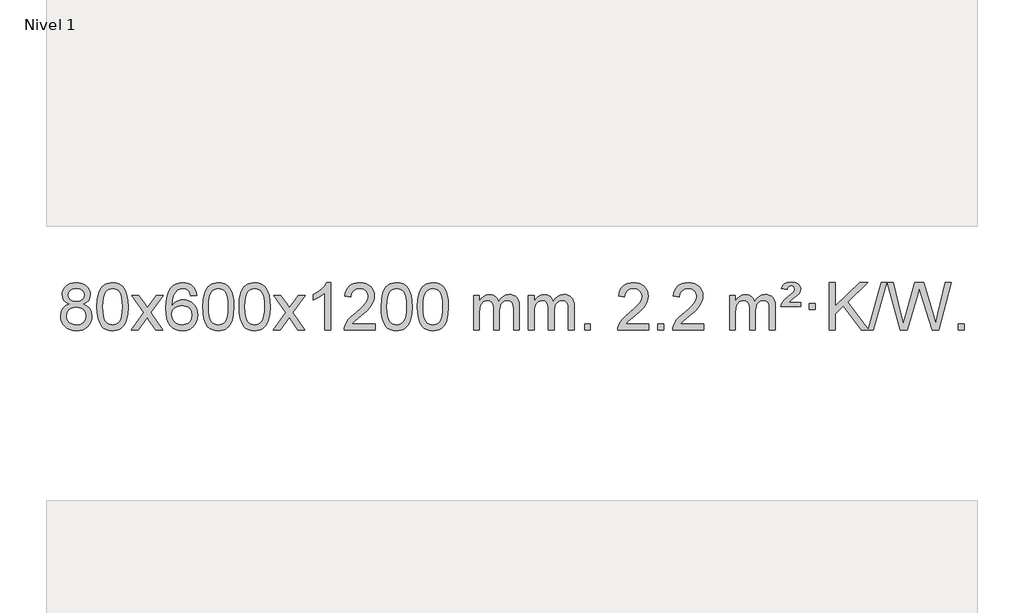
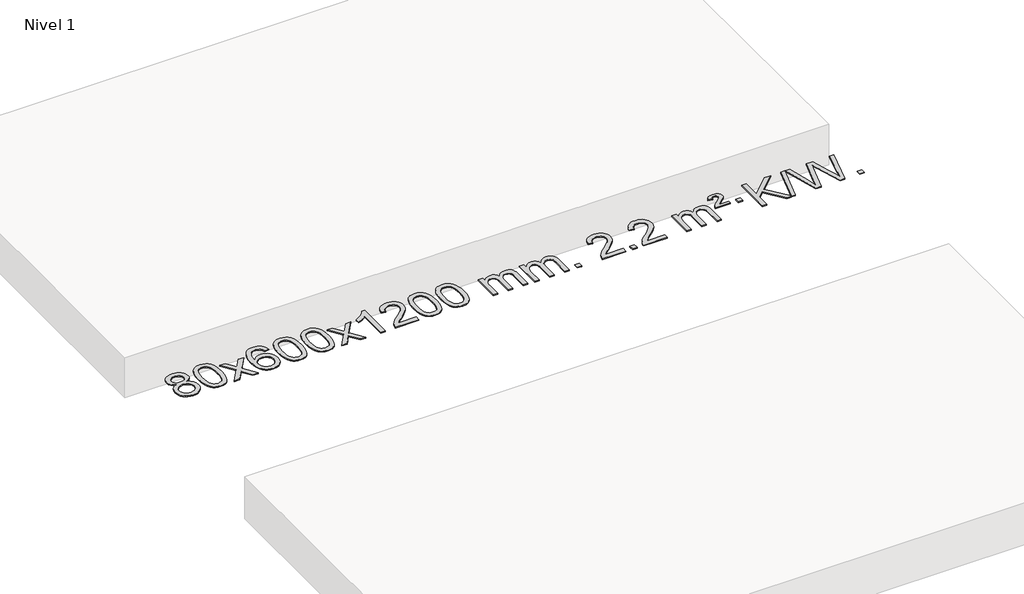
# One storey, part 10 of 10: 1 proxy.
"""IFC4 building model written with IfcOpenShell, lengths in millimetres."""

from ifc_helpers import new_model, si_unit, origin, origin_with_axes, place, context, project, spatial, polyline, outline, extrude, element, save

model = new_model("IFC4")

# Units and contexts
model_context = context("Model", 3, world=origin())
ifc_project = project(units=[si_unit("LENGTHUNIT", "METRE", prefix="MILLI")], contexts=[model_context])

# Site, building, storey
site = spatial("IfcSite", under=ifc_project)
building = spatial("IfcBuilding", under=site)
storey = spatial("IfcBuildingStorey", under=building, Name="Nivel 1", Elevation=0.0)

# Proxy
placement = place(None, origin())
element("IfcBuildingElementProxy", 1, Name="Texto de modelo 1", ObjectType="Texto de modelo 1", at=placement, inside=storey, context=model_context, shape_type="SweptSolid", body=[
    extrude(outline(polyline([(-9065.2020586, -5885.7435675), (-9092.0942324, -5872.4998157), (-9110.9665788, -5854.5471743), (-9122.1134032, -5832.2535254), (-9125.8290114, -5805.9867509), (-9123.8056604, -5785.5018552), (-9117.7356075, -5766.7214793), (-9107.6188526, -5749.6456234), (-9093.4553958, -5734.2742874), (-9075.9258187, -5721.5700958), (-9055.7107031, -5712.4956732), (-9032.8100489, -5707.0510197), (-9007.2238561, -5705.2361352), (-8981.515036, -5707.0939393), (-8958.4427036, -5712.6673515), (-8938.0068587, -5721.9563719), (-8920.2075015, -5734.9610004), (-8905.7865273, -5750.6327734), (-8895.4858315, -5767.9232272), (-8889.3054139, -5786.8323617), (-8887.2452748, -5807.3601771), (-8890.911832, -5832.7808229), (-8901.9115037, -5854.6943271), (-8920.3669171, -5872.5366039), (-8946.4006996, -5885.7435675), (-8915.4863493, -5901.6728579), (-8892.9842339, -5925.1314665), (-8879.2622355, -5954.9912217), (-8874.688236, -5990.1239523), (-8876.9568416, -6015.1767161), (-8883.7626586, -6038.1448154), (-8895.1056867, -6059.02825), (-8910.9859262, -6077.8270199), (-8930.5695111, -6093.3639028), (-8953.0225755, -6104.4616764), (-8978.3451195, -6111.1203405), (-9006.5371431, -6113.3398952), (-9034.7291666, -6111.1111434), (-9060.0517106, -6104.4248882), (-9082.5047751, -6093.2811294), (-9102.08836, -6077.6798671), (-9117.9685994, -6058.7492728), (-9129.3116276, -6037.6175178), (-9136.1174445, -6014.2846023), (-9138.3860502, -5988.7505262), (-9133.6281097, -5952.2566322), (-9119.3542883, -5922.2374614), (-9096.3003499, -5899.7230833), (-9065.2020586, -5885.7435675)]), holes=[polyline([(-9075.6008563, -5807.4582789), (-9071.1494842, -5829.3840458), (-9057.7953677, -5846.8952288), (-9035.9309145, -5858.3731471), (-9005.9485319, -5862.1991198), (-8976.6651251, -5858.3976725), (-8955.1317656, -5846.9933307), (-8941.8880138, -5830.0707589), (-8937.4734299, -5809.7146218), (-8942.0351666, -5788.5859326), (-8955.7203768, -5771.1115378), (-8977.5480419, -5759.3761022), (-9006.5371431, -5755.4642903), (-9035.7101853, -5759.290263), (-9057.5010621, -5770.7681813), (-9071.0759078, -5787.5926512), (-9075.6008563, -5807.4582789)]), polyline([(-9088.1578951, -5986.9846926), (-9086.0609677, -6006.2003955), (-9079.7701856, -6024.8029617), (-9068.1573773, -6041.0265577), (-9050.0943713, -6053.1053498), (-9028.46291, -6060.6101425), (-9006.1447356, -6063.1117401), (-8971.9562355, -6057.8510276), (-8958.0625588, -6051.2751369), (-8946.3025977, -6042.06889), (-8930.2629427, -6018.168823), (-8924.9163911, -5988.5543224), (-8930.434621, -5958.4370498), (-8946.9893108, -5934.0096853), (-8959.068103, -5924.5673807), (-8973.2315598, -5917.8228775), (-9007.8124673, -5912.4272749), (-9041.5227208, -5917.7493011), (-9055.2600477, -5924.4018338), (-9066.9188412, -5933.7153797), (-9082.8481316, -5957.6767603), (-9088.1578951, -5986.9846926)])]), origin_with_axes(), (0.0, 0.0, 1.0), 10.0),
    extrude(outline(polyline([(-8830.7386003, -5909.3861171), (-8827.0475176, -5845.0680816), (-8815.9742696, -5793.7730687), (-8797.6292208, -5754.7162636), (-8785.7711578, -5739.4828833), (-8772.1227358, -5727.1128512), (-8756.6379694, -5717.5417879), (-8739.2708736, -5710.7053142), (-8698.8896932, -5705.2361352), (-8667.9385547, -5708.4734968), (-8640.2247777, -5718.1855814), (-8617.0482121, -5733.9922445), (-8599.7087073, -5755.5133412), (-8586.6121083, -5782.5649306), (-8576.1642597, -5814.9630716), (-8569.3216545, -5856.1045414), (-8567.0407862, -5909.3861171), (-8570.6950807, -5973.3362706), (-8581.6579641, -6024.5086561), (-8599.8926483, -6063.6022494), (-8611.7231202, -6078.881615), (-8625.3623451, -6091.3160264), (-8640.8655056, -6100.951469), (-8658.2877837, -6107.833928), (-8698.8896932, -6113.3398952), (-8726.5544193, -6110.9486622), (-8751.0798856, -6103.7749633), (-8772.4660923, -6091.8187985), (-8790.7130392, -6075.0801677), (-8808.2242222, -6044.8218736), (-8820.73221, -6007.1201004), (-8828.2370028, -5961.9748483), (-8830.7386003, -5909.3861171)]), holes=[polyline([(-8780.5104452, -5909.2880152), (-8779.0389173, -5952.9525423), (-8774.6243333, -5988.296805), (-8767.2666934, -6015.3208033), (-8756.9659976, -6034.024537), (-8744.5070606, -6046.7501884), (-8730.6746976, -6055.8399393), (-8715.4689085, -6061.2937899), (-8698.8896932, -6063.1117401), (-8682.310478, -6061.2876586), (-8667.1046889, -6055.8154139), (-8653.2723258, -6046.6950061), (-8640.8133889, -6033.9264352), (-8630.5126931, -6015.1920446), (-8623.1550532, -5988.1741777), (-8618.7404692, -5952.8728346), (-8617.2689412, -5909.2880152), (-8618.6914183, -5866.7792507), (-8622.9588494, -5832.0573217), (-8630.0712347, -5805.1222283), (-8640.028574, -5785.9739704), (-8652.2790445, -5772.6259854), (-8666.270823, -5763.0917103), (-8682.0039097, -5757.3711453), (-8699.4783044, -5755.4642903), (-8715.9716806, -5757.1442847), (-8730.9199523, -5762.1842681), (-8744.3231197, -5770.5842403), (-8756.1811826, -5782.3442014), (-8766.825235, -5803.1908478), (-8774.4281296, -5831.2970322), (-8778.9898663, -5866.6627547), (-8780.5104452, -5909.2880152)])]), origin_with_axes(), (0.0, 0.0, 1.0), 10.0),
    extrude(outline(polyline([(-8541.9267086, -6107.0613758), (-8434.6032679, -5958.7313553), (-8535.6481893, -5811.9709647), (-8475.2174402, -5811.9709647), (-8426.4608131, -5882.6043078), (-8403.7011803, -5915.958942), (-8383.9827054, -5888.6866235), (-8328.4570496, -5811.9709647), (-8268.0263005, -5811.9709647), (-8374.1725188, -5958.7313553), (-8271.9503751, -6107.0613758), (-8332.3811242, -6107.0613758), (-8393.8909938, -6017.8867802), (-8405.1727083, -6001.6018705), (-8481.4959596, -6107.0613758), (-8541.9267086, -6107.0613758)])), origin_with_axes(), (0.0, 0.0, 1.0), 10.0),
    extrude(outline(polyline([(-7983.1384834, -5811.9709647), (-8033.3666385, -5818.2494841), (-8041.4600424, -5793.3561358), (-8052.3984004, -5776.3599876), (-8075.1825586, -5760.6882146), (-8102.7246573, -5755.4642903), (-8126.0729013, -5758.5054481), (-8148.0477191, -5767.6289216), (-8166.9200655, -5786.8446245), (-8182.3343211, -5813.2953399), (-8192.7453815, -5850.7089388), (-8196.6081425, -5902.8132921), (-8176.4604719, -5879.3056326), (-8152.3151503, -5862.7386801), (-8125.5210783, -5852.9162308), (-8097.4271566, -5849.642081), (-8073.2940977, -5851.8800298), (-8051.0249743, -5858.5938763), (-8030.6197863, -5869.7836203), (-8012.0785337, -5885.4492619), (-7996.6704095, -5904.6588334), (-7985.6646065, -5926.4803671), (-7979.0611247, -5950.9138629), (-7976.859964, -5977.959321), (-7981.0047679, -6013.9259174), (-7993.4391793, -6047.2682889), (-8013.1331288, -6075.5461515), (-8039.0565467, -6096.3192215), (-8070.0322107, -6109.0847268), (-8104.8828984, -6113.3398952), (-8134.8254271, -6110.5194666), (-8161.8678194, -6102.0581807), (-8186.0100754, -6087.9560375), (-8207.2521949, -6068.2130371), (-8224.5702398, -6041.9953136), (-8236.9402719, -6008.4690011), (-8244.3622912, -5967.6340996), (-8246.8362976, -5919.4906092), (-8244.0894453, -5865.5161891), (-8235.8488887, -5819.451232), (-8222.1146275, -5781.2957377), (-8202.8866619, -5751.0497063), (-8182.0461469, -5731.006269), (-8157.8824311, -5716.689528), (-8130.3955147, -5708.0994834), (-8099.5853976, -5705.2361352), (-8076.4517515, -5707.0081001), (-8055.5131346, -5712.323995), (-8036.769547, -5721.1838197), (-8020.2209885, -5733.5875743), (-8006.3150491, -5749.1183259), (-7995.4993185, -5767.3591415), (-7987.7737966, -5788.3100211), (-7983.1384834, -5811.9709647)]), holes=[polyline([(-8196.6081425, -5977.174506), (-8193.7018747, -5999.4313667), (-8184.9830715, -6020.6826833), (-8171.445014, -6038.9541558), (-8154.0809839, -6052.271484), (-8133.1239729, -6060.4016761), (-8108.806973, -6063.1117401), (-8075.6608052, -6057.4954083), (-8061.7456687, -6050.4749936), (-8049.6024972, -6040.6464129), (-8039.7524568, -6028.4082052), (-8032.7167136, -6014.1589093), (-8027.0881191, -5979.6270527), (-8032.6431372, -5946.4808849), (-8039.5869099, -5932.860054), (-8049.3081916, -5921.2073918), (-8061.4881514, -5911.8723862), (-8075.807958, -5905.204525), (-8110.8671122, -5899.8702361), (-8143.964229, -5905.204525), (-8171.6412178, -5921.2073918), (-8182.5642473, -5932.7067699), (-8190.3664113, -5945.8677482), (-8195.0477097, -5960.690327), (-8196.6081425, -5977.174506)])]), origin_with_axes(), (0.0, 0.0, 1.0), 10.0),
    extrude(outline(polyline([(-7932.9103284, -5909.3861171), (-7929.2192457, -5845.0680816), (-7918.1459976, -5793.7730687), (-7899.8009488, -5754.7162636), (-7887.9428858, -5739.4828833), (-7874.2944638, -5727.1128512), (-7858.8096975, -5717.5417879), (-7841.4426016, -5710.7053142), (-7801.0614213, -5705.2361352), (-7770.1102828, -5708.4734968), (-7742.3965058, -5718.1855814), (-7719.2199401, -5733.9922445), (-7701.8804354, -5755.5133412), (-7688.7838364, -5782.5649306), (-7678.3359877, -5814.9630716), (-7671.4933826, -5856.1045414), (-7669.2125142, -5909.3861171), (-7672.8668087, -5973.3362706), (-7683.8296922, -6024.5086561), (-7702.0643764, -6063.6022494), (-7713.8948482, -6078.881615), (-7727.5340732, -6091.3160264), (-7743.0372336, -6100.951469), (-7760.4595117, -6107.833928), (-7801.0614213, -6113.3398952), (-7828.7261473, -6110.9486622), (-7853.2516137, -6103.7749633), (-7874.6378203, -6091.8187985), (-7892.8847673, -6075.0801677), (-7910.3959503, -6044.8218736), (-7922.9039381, -6007.1201004), (-7930.4087308, -5961.9748483), (-7932.9103284, -5909.3861171)]), holes=[polyline([(-7882.6821733, -5909.2880152), (-7881.2106453, -5952.9525423), (-7876.7960614, -5988.296805), (-7869.4384215, -6015.3208033), (-7859.1377256, -6034.024537), (-7846.6787887, -6046.7501884), (-7832.8464257, -6055.8399393), (-7817.6406365, -6061.2937899), (-7801.0614213, -6063.1117401), (-7784.482206, -6061.2876586), (-7769.2764169, -6055.8154139), (-7755.4440539, -6046.6950061), (-7742.985117, -6033.9264352), (-7732.6844211, -6015.1920446), (-7725.3267812, -5988.1741777), (-7720.9121973, -5952.8728346), (-7719.4406693, -5909.2880152), (-7720.8631463, -5866.7792507), (-7725.1305775, -5832.0573217), (-7732.2429627, -5805.1222283), (-7742.2003021, -5785.9739704), (-7754.4507725, -5772.6259854), (-7768.442551, -5763.0917103), (-7784.1756377, -5757.3711453), (-7801.6500325, -5755.4642903), (-7818.1434086, -5757.1442847), (-7833.0916803, -5762.1842681), (-7846.4948477, -5770.5842403), (-7858.3529107, -5782.3442014), (-7868.9969631, -5803.1908478), (-7876.5998576, -5831.2970322), (-7881.1615944, -5866.6627547), (-7882.6821733, -5909.2880152)])]), origin_with_axes(), (0.0, 0.0, 1.0), 10.0),
    extrude(outline(polyline([(-7625.2628785, -5909.3861171), (-7621.5717958, -5845.0680816), (-7610.4985478, -5793.7730687), (-7592.153499, -5754.7162636), (-7580.295436, -5739.4828833), (-7566.647014, -5727.1128512), (-7551.1622476, -5717.5417879), (-7533.7951518, -5710.7053142), (-7493.4139715, -5705.2361352), (-7462.4628329, -5708.4734968), (-7434.749056, -5718.1855814), (-7411.5724903, -5733.9922445), (-7394.2329856, -5755.5133412), (-7381.1363865, -5782.5649306), (-7370.6885379, -5814.9630716), (-7363.8459327, -5856.1045414), (-7361.5650644, -5909.3861171), (-7365.2193589, -5973.3362706), (-7376.1822423, -6024.5086561), (-7394.4169265, -6063.6022494), (-7406.2473984, -6078.881615), (-7419.8866233, -6091.3160264), (-7435.3897838, -6100.951469), (-7452.8120619, -6107.833928), (-7493.4139715, -6113.3398952), (-7521.0786975, -6110.9486622), (-7545.6041638, -6103.7749633), (-7566.9903705, -6091.8187985), (-7585.2373174, -6075.0801677), (-7602.7485004, -6044.8218736), (-7615.2564883, -6007.1201004), (-7622.761281, -5961.9748483), (-7625.2628785, -5909.3861171)]), holes=[polyline([(-7575.0347234, -5909.2880152), (-7573.5631955, -5952.9525423), (-7569.1486115, -5988.296805), (-7561.7909716, -6015.3208033), (-7551.4902758, -6034.024537), (-7539.0313389, -6046.7501884), (-7525.1989758, -6055.8399393), (-7509.9931867, -6061.2937899), (-7493.4139715, -6063.1117401), (-7476.8347562, -6061.2876586), (-7461.6289671, -6055.8154139), (-7447.796604, -6046.6950061), (-7435.3376671, -6033.9264352), (-7425.0369713, -6015.1920446), (-7417.6793314, -5988.1741777), (-7413.2647474, -5952.8728346), (-7411.7932195, -5909.2880152), (-7413.2156965, -5866.7792507), (-7417.4831276, -5832.0573217), (-7424.5955129, -5805.1222283), (-7434.5528522, -5785.9739704), (-7446.8033227, -5772.6259854), (-7460.7951012, -5763.0917103), (-7476.5281879, -5757.3711453), (-7494.0025826, -5755.4642903), (-7510.4959588, -5757.1442847), (-7525.4442305, -5762.1842681), (-7538.8473979, -5770.5842403), (-7550.7054608, -5782.3442014), (-7561.3495132, -5803.1908478), (-7568.9524078, -5831.2970322), (-7573.5141445, -5866.6627547), (-7575.0347234, -5909.2880152)])]), origin_with_axes(), (0.0, 0.0, 1.0), 10.0),
    extrude(outline(polyline([(-7336.4509868, -6107.0613758), (-7229.1275461, -5958.7313553), (-7330.1724675, -5811.9709647), (-7269.7417184, -5811.9709647), (-7220.9850913, -5882.6043078), (-7198.2254585, -5915.958942), (-7178.5069836, -5888.6866235), (-7122.9813278, -5811.9709647), (-7062.5505787, -5811.9709647), (-7168.696797, -5958.7313553), (-7066.4746533, -6107.0613758), (-7126.9054024, -6107.0613758), (-7188.415272, -6017.8867802), (-7199.6969865, -6001.6018705), (-7276.0202378, -6107.0613758), (-7336.4509868, -6107.0613758)])), origin_with_axes(), (0.0, 0.0, 1.0), 10.0),
    extrude(outline(polyline([(-6846.7264749, -6107.0613758), (-6896.9546299, -6107.0613758), (-6896.9546299, -5793.9202215), (-6917.9239037, -5810.8795815), (-6944.5340346, -5827.814416), (-6997.4109401, -5853.1737482), (-6997.4109401, -5805.6924454), (-6957.9617275, -5784.2326623), (-6923.7854901, -5758.7016518), (-6896.8442653, -5731.5519606), (-6879.1000904, -5705.2361352), (-6846.7264749, -5705.2361352), (-6846.7264749, -6107.0613758)])), origin_with_axes(), (0.0, 0.0, 1.0), 10.0),
    extrude(outline(polyline([(-6470.0153118, -6056.8332207), (-6470.0153118, -6107.0613758), (-6733.7131259, -6107.0613758), (-6732.60948, -6089.3785146), (-6728.3175233, -6072.4314173), (-6715.9321628, -6045.3675652), (-6697.8078432, -6019.1130535), (-6671.5901197, -5991.6322684), (-6634.9245475, -5960.8895964), (-6580.7232669, -5912.746106), (-6548.2024985, -5877.2087052), (-6531.9421143, -5848.3667568), (-6526.5219863, -5820.3096233), (-6531.635546, -5795.1587576), (-6546.9762252, -5774.2507975), (-6570.5574611, -5760.1609171), (-6600.3926909, -5755.4642903), (-6631.7239741, -5760.0505525), (-6656.0654995, -5773.8093391), (-6671.7740607, -5795.6615296), (-6677.2064515, -5824.5280035), (-6727.4346066, -5818.2494841), (-6723.1150588, -5792.3199348), (-6715.2577125, -5769.6645353), (-6703.8625677, -5750.2832855), (-6688.9296244, -5734.1761855), (-6670.8022391, -5721.5149135), (-6649.8237683, -5712.4711478), (-6625.9942121, -5707.0448883), (-6599.3135704, -5705.2361352), (-6572.3938054, -5707.2472234), (-6548.4354904, -5713.2804882), (-6527.4386256, -5723.3359294), (-6509.4032108, -5737.413547), (-6494.9178572, -5754.4710089), (-6484.5711761, -5773.4659826), (-6478.3631674, -5794.3984681), (-6476.2938312, -5817.2684655), (-6478.5256486, -5841.2911598), (-6485.2211009, -5864.8969211), (-6497.1036894, -5888.9073527), (-6514.8969152, -5914.1440575), (-6543.260617, -5944.2735929), (-6586.8546335, -5982.9625161), (-6644.6366322, -6031.2776848), (-6667.2981631, -6056.8332207), (-6470.0153118, -6056.8332207)])), origin_with_axes(), (0.0, 0.0, 1.0), 10.0),
    extrude(outline(polyline([(-6419.7871567, -5909.3861171), (-6416.096074, -5845.0680816), (-6405.022826, -5793.7730687), (-6386.6777772, -5754.7162636), (-6374.8197142, -5739.4828833), (-6361.1712922, -5727.1128512), (-6345.6865258, -5717.5417879), (-6328.31943, -5710.7053142), (-6287.9382497, -5705.2361352), (-6256.9871111, -5708.4734968), (-6229.2733342, -5718.1855814), (-6206.0967685, -5733.9922445), (-6188.7572638, -5755.5133412), (-6175.6606647, -5782.5649306), (-6165.2128161, -5814.9630716), (-6158.370211, -5856.1045414), (-6156.0893426, -5909.3861171), (-6159.7436371, -5973.3362706), (-6170.7065205, -6024.5086561), (-6188.9412048, -6063.6022494), (-6200.7716766, -6078.881615), (-6214.4109016, -6091.3160264), (-6229.914062, -6100.951469), (-6247.3363401, -6107.833928), (-6287.9382497, -6113.3398952), (-6315.6029757, -6110.9486622), (-6340.128442, -6103.7749633), (-6361.5146487, -6091.8187985), (-6379.7615957, -6075.0801677), (-6397.2727786, -6044.8218736), (-6409.7807665, -6007.1201004), (-6417.2855592, -5961.9748483), (-6419.7871567, -5909.3861171)]), holes=[polyline([(-6369.5590017, -5909.2880152), (-6368.0874737, -5952.9525423), (-6363.6728897, -5988.296805), (-6356.3152498, -6015.3208033), (-6346.014554, -6034.024537), (-6333.5556171, -6046.7501884), (-6319.723254, -6055.8399393), (-6304.5174649, -6061.2937899), (-6287.9382497, -6063.1117401), (-6271.3590344, -6061.2876586), (-6256.1532453, -6055.8154139), (-6242.3208823, -6046.6950061), (-6229.8619454, -6033.9264352), (-6219.5612495, -6015.1920446), (-6212.2036096, -5988.1741777), (-6207.7890256, -5952.8728346), (-6206.3174977, -5909.2880152), (-6207.7399747, -5866.7792507), (-6212.0074059, -5832.0573217), (-6219.1197911, -5805.1222283), (-6229.0771304, -5785.9739704), (-6241.3276009, -5772.6259854), (-6255.3193794, -5763.0917103), (-6271.0524661, -5757.3711453), (-6288.5268608, -5755.4642903), (-6305.020237, -5757.1442847), (-6319.9685087, -5762.1842681), (-6333.3716761, -5770.5842403), (-6345.229739, -5782.3442014), (-6355.8737914, -5803.1908478), (-6363.476686, -5831.2970322), (-6368.0384227, -5866.6627547), (-6369.5590017, -5909.2880152)])]), origin_with_axes(), (0.0, 0.0, 1.0), 10.0),
    extrude(outline(polyline([(-6112.1397069, -5909.3861171), (-6108.4486242, -5845.0680816), (-6097.3753762, -5793.7730687), (-6079.0303273, -5754.7162636), (-6067.1722644, -5739.4828833), (-6053.5238423, -5727.1128512), (-6038.039076, -5717.5417879), (-6020.6719802, -5710.7053142), (-5980.2907998, -5705.2361352), (-5949.3396613, -5708.4734968), (-5921.6258843, -5718.1855814), (-5898.4493186, -5733.9922445), (-5881.1098139, -5755.5133412), (-5868.0132149, -5782.5649306), (-5857.5653662, -5814.9630716), (-5850.7227611, -5856.1045414), (-5848.4418928, -5909.3861171), (-5852.0961872, -5973.3362706), (-5863.0590707, -6024.5086561), (-5881.2937549, -6063.6022494), (-5893.1242267, -6078.881615), (-5906.7634517, -6091.3160264), (-5922.2666121, -6100.951469), (-5939.6888903, -6107.833928), (-5980.2907998, -6113.3398952), (-6007.9555259, -6110.9486622), (-6032.4809922, -6103.7749633), (-6053.8671989, -6091.8187985), (-6072.1141458, -6075.0801677), (-6089.6253288, -6044.8218736), (-6102.1333166, -6007.1201004), (-6109.6381093, -5961.9748483), (-6112.1397069, -5909.3861171)]), holes=[polyline([(-6061.9115518, -5909.2880152), (-6060.4400238, -5952.9525423), (-6056.0254399, -5988.296805), (-6048.6678, -6015.3208033), (-6038.3671041, -6034.024537), (-6025.9081672, -6046.7501884), (-6012.0758042, -6055.8399393), (-5996.8700151, -6061.2937899), (-5980.2907998, -6063.1117401), (-5963.7115846, -6061.2876586), (-5948.5057954, -6055.8154139), (-5934.6734324, -6046.6950061), (-5922.2144955, -6033.9264352), (-5911.9137997, -6015.1920446), (-5904.5561597, -5988.1741777), (-5900.1415758, -5952.8728346), (-5898.6700478, -5909.2880152), (-5900.0925249, -5866.7792507), (-5904.359956, -5832.0573217), (-5911.4723413, -5805.1222283), (-5921.4296806, -5785.9739704), (-5933.680151, -5772.6259854), (-5947.6719296, -5763.0917103), (-5963.4050162, -5757.3711453), (-5980.879411, -5755.4642903), (-5997.3727871, -5757.1442847), (-6012.3210589, -5762.1842681), (-6025.7242262, -5770.5842403), (-6037.5822892, -5782.3442014), (-6048.2263416, -5803.1908478), (-6055.8292362, -5831.2970322), (-6060.3909729, -5866.6627547), (-6061.9115518, -5909.2880152)])]), origin_with_axes(), (0.0, 0.0, 1.0), 10.0),
    extrude(outline(polyline([(-5634.9722337, -6107.0613758), (-5634.9722337, -5811.9709647), (-5584.7440786, -5811.9709647), (-5584.7440786, -5860.5313881), (-5569.6363913, -5838.2254765), (-5550.212222, -5820.7510817), (-5527.1337582, -5809.4571044), (-5501.0631874, -5805.6924454), (-5473.1286813, -5809.5306808), (-5450.7369305, -5821.0453873), (-5434.0105625, -5839.4762752), (-5423.0722045, -5864.0630553), (-5404.7639438, -5838.5259134), (-5383.8805092, -5820.2850978), (-5360.4219007, -5809.3406085), (-5334.3881182, -5805.6924454), (-5314.2803014, -5807.2099586), (-5296.6311627, -5811.7624983), (-5281.440702, -5819.3500644), (-5268.7089193, -5829.972657), (-5258.644281, -5843.7529034), (-5251.4552537, -5860.813431), (-5247.1418373, -5881.1542396), (-5245.7040319, -5904.7753294), (-5245.7040319, -6107.0613758), (-5295.9321869, -6107.0613758), (-5295.9321869, -5926.3577398), (-5297.0971466, -5901.3049759), (-5300.5920255, -5884.4191923), (-5307.140325, -5872.8554349), (-5317.4655464, -5863.7687497), (-5330.7460864, -5857.8826377), (-5346.160342, -5855.9206004), (-5373.3713469, -5860.948321), (-5395.5546312, -5876.0314828), (-5404.1600042, -5887.6013716), (-5410.3066992, -5902.2001554), (-5415.2240552, -5940.4844084), (-5415.2240552, -6107.0613758), (-5465.4522103, -6107.0613758), (-5465.4522103, -5920.7659334), (-5468.3584781, -5892.3654434), (-5477.0772814, -5872.1074082), (-5492.4179606, -5859.9673024), (-5515.1898561, -5855.9206004), (-5534.540449, -5858.6184017), (-5552.370463, -5866.7118056), (-5567.0857428, -5880.0046084), (-5577.0921331, -5898.3006063), (-5582.8310922, -5923.6844639), (-5584.7440786, -5958.240846), (-5584.7440786, -6107.0613758), (-5634.9722337, -6107.0613758)])), origin_with_axes(), (0.0, 0.0, 1.0), 10.0),
    extrude(outline(polyline([(-5170.3617992, -6107.0613758), (-5170.3617992, -5811.9709647), (-5120.1336442, -5811.9709647), (-5120.1336442, -5860.5313881), (-5105.0259569, -5838.2254765), (-5085.6017876, -5820.7510817), (-5062.5233237, -5809.4571044), (-5036.452753, -5805.6924454), (-5008.5182468, -5809.5306808), (-4986.1264961, -5821.0453873), (-4969.400128, -5839.4762752), (-4958.46177, -5864.0630553), (-4940.1535094, -5838.5259134), (-4919.2700748, -5820.2850978), (-4895.8114662, -5809.3406085), (-4869.7776837, -5805.6924454), (-4849.669867, -5807.2099586), (-4832.0207283, -5811.7624983), (-4816.8302676, -5819.3500644), (-4804.0984848, -5829.972657), (-4794.0338466, -5843.7529034), (-4786.8448193, -5860.813431), (-4782.5314029, -5881.1542396), (-4781.0935974, -5904.7753294), (-4781.0935974, -6107.0613758), (-4831.3217525, -6107.0613758), (-4831.3217525, -5926.3577398), (-4832.4867121, -5901.3049759), (-4835.9815911, -5884.4191923), (-4842.5298906, -5872.8554349), (-4852.8551119, -5863.7687497), (-4866.135652, -5857.8826377), (-4881.5499076, -5855.9206004), (-4908.7609125, -5860.948321), (-4930.9441968, -5876.0314828), (-4939.5495698, -5887.6013716), (-4945.6962648, -5902.2001554), (-4950.6136208, -5940.4844084), (-4950.6136208, -6107.0613758), (-5000.8417759, -6107.0613758), (-5000.8417759, -5920.7659334), (-5003.7480436, -5892.3654434), (-5012.4668469, -5872.1074082), (-5027.8075261, -5859.9673024), (-5050.5794216, -5855.9206004), (-5069.9300146, -5858.6184017), (-5087.7600286, -5866.7118056), (-5102.4753084, -5880.0046084), (-5112.4816987, -5898.3006063), (-5118.2206578, -5923.6844639), (-5120.1336442, -5958.240846), (-5120.1336442, -6107.0613758), (-5170.3617992, -6107.0613758)])), origin_with_axes(), (0.0, 0.0, 1.0), 10.0),
    extrude(outline(polyline([(-4693.194326, -6107.0613758), (-4693.194326, -6056.8332207), (-4642.966171, -6056.8332207), (-4642.966171, -6107.0613758), (-4693.194326, -6107.0613758)])), origin_with_axes(), (0.0, 0.0, 1.0), 10.0),
    extrude(outline(polyline([(-4146.9631396, -6056.8332207), (-4146.9631396, -6107.0613758), (-4410.6609537, -6107.0613758), (-4409.5573077, -6089.3785146), (-4405.2653511, -6072.4314173), (-4392.8799906, -6045.3675652), (-4374.755671, -6019.1130535), (-4348.5379475, -5991.6322684), (-4311.8723753, -5960.8895964), (-4257.6710947, -5912.746106), (-4225.1503263, -5877.2087052), (-4208.8899421, -5848.3667568), (-4203.4698141, -5820.3096233), (-4208.5833738, -5795.1587576), (-4223.924053, -5774.2507975), (-4247.5052889, -5760.1609171), (-4277.3405187, -5755.4642903), (-4308.6718019, -5760.0505525), (-4333.0133273, -5773.8093391), (-4348.7218885, -5795.6615296), (-4354.1542793, -5824.5280035), (-4404.3824344, -5818.2494841), (-4400.0628866, -5792.3199348), (-4392.2055403, -5769.6645353), (-4380.8103955, -5750.2832855), (-4365.8774522, -5734.1761855), (-4347.7500669, -5721.5149135), (-4326.7715961, -5712.4711478), (-4302.9420399, -5707.0448883), (-4276.2613982, -5705.2361352), (-4249.3416332, -5707.2472234), (-4225.3833182, -5713.2804882), (-4204.3864534, -5723.3359294), (-4186.3510385, -5737.413547), (-4171.865685, -5754.4710089), (-4161.5190039, -5773.4659826), (-4155.3109952, -5794.3984681), (-4153.241659, -5817.2684655), (-4155.4734764, -5841.2911598), (-4162.1689287, -5864.8969211), (-4174.0515172, -5888.9073527), (-4191.844743, -5914.1440575), (-4220.2084448, -5944.2735929), (-4263.8024613, -5982.9625161), (-4321.58446, -6031.2776848), (-4344.2459909, -6056.8332207), (-4146.9631396, -6056.8332207)])), origin_with_axes(), (0.0, 0.0, 1.0), 10.0),
    extrude(outline(polyline([(-4071.620907, -6107.0613758), (-4071.620907, -6056.8332207), (-4021.3927519, -6056.8332207), (-4021.3927519, -6107.0613758), (-4071.620907, -6107.0613758)])), origin_with_axes(), (0.0, 0.0, 1.0), 10.0),
    extrude(outline(polyline([(-3682.3527052, -6056.8332207), (-3682.3527052, -6107.0613758), (-3946.0505193, -6107.0613758), (-3944.9468733, -6089.3785146), (-3940.6549167, -6072.4314173), (-3928.2695562, -6045.3675652), (-3910.1452366, -6019.1130535), (-3883.927513, -5991.6322684), (-3847.2619409, -5960.8895964), (-3793.0606602, -5912.746106), (-3760.5398919, -5877.2087052), (-3744.2795077, -5848.3667568), (-3738.8593796, -5820.3096233), (-3743.9729393, -5795.1587576), (-3759.3136185, -5774.2507975), (-3782.8948544, -5760.1609171), (-3812.7300842, -5755.4642903), (-3844.0613675, -5760.0505525), (-3868.4028928, -5773.8093391), (-3884.111454, -5795.6615296), (-3889.5438448, -5824.5280035), (-3939.7719999, -5818.2494841), (-3935.4524521, -5792.3199348), (-3927.5951059, -5769.6645353), (-3916.1999611, -5750.2832855), (-3901.2670177, -5734.1761855), (-3883.1396324, -5721.5149135), (-3862.1611617, -5712.4711478), (-3838.3316054, -5707.0448883), (-3811.6509637, -5705.2361352), (-3784.7311987, -5707.2472234), (-3760.7728838, -5713.2804882), (-3739.7760189, -5723.3359294), (-3721.7406041, -5737.413547), (-3707.2552505, -5754.4710089), (-3696.9085694, -5773.4659826), (-3690.7005608, -5794.3984681), (-3688.6312245, -5817.2684655), (-3690.863042, -5841.2911598), (-3697.5584943, -5864.8969211), (-3709.4410827, -5888.9073527), (-3727.2343086, -5914.1440575), (-3755.5980104, -5944.2735929), (-3799.1920268, -5982.9625161), (-3856.9740255, -6031.2776848), (-3879.6355564, -6056.8332207), (-3682.3527052, -6056.8332207)])), origin_with_axes(), (0.0, 0.0, 1.0), 10.0),
    extrude(outline(polyline([(-3462.6045267, -6107.0613758), (-3462.6045267, -5811.9709647), (-3412.3763716, -5811.9709647), (-3412.3763716, -5860.5313881), (-3397.2686844, -5838.2254765), (-3377.844515, -5820.7510817), (-3354.7660512, -5809.4571044), (-3328.6954805, -5805.6924454), (-3300.7609743, -5809.5306808), (-3278.3692235, -5821.0453873), (-3261.6428555, -5839.4762752), (-3250.7044975, -5864.0630553), (-3232.3962368, -5838.5259134), (-3211.5128023, -5820.2850978), (-3188.0541937, -5809.3406085), (-3162.0204112, -5805.6924454), (-3141.9125945, -5807.2099586), (-3124.2634557, -5811.7624983), (-3109.072995, -5819.3500644), (-3096.3412123, -5829.972657), (-3086.276574, -5843.7529034), (-3079.0875467, -5860.813431), (-3074.7741303, -5881.1542396), (-3073.3363249, -5904.7753294), (-3073.3363249, -6107.0613758), (-3123.5644799, -6107.0613758), (-3123.5644799, -5926.3577398), (-3124.7294396, -5901.3049759), (-3128.2243185, -5884.4191923), (-3134.7726181, -5872.8554349), (-3145.0978394, -5863.7687497), (-3158.3783794, -5857.8826377), (-3173.792635, -5855.9206004), (-3201.0036399, -5860.948321), (-3223.1869242, -5876.0314828), (-3231.7922972, -5887.6013716), (-3237.9389922, -5902.2001554), (-3242.8563482, -5940.4844084), (-3242.8563482, -6107.0613758), (-3293.0845033, -6107.0613758), (-3293.0845033, -5920.7659334), (-3295.9907711, -5892.3654434), (-3304.7095744, -5872.1074082), (-3320.0502536, -5859.9673024), (-3342.8221491, -5855.9206004), (-3362.172742, -5858.6184017), (-3380.002756, -5866.7118056), (-3394.7180359, -5880.0046084), (-3404.7244261, -5898.3006063), (-3410.4633852, -5923.6844639), (-3412.3763716, -5958.240846), (-3412.3763716, -6107.0613758), (-3462.6045267, -6107.0613758)])), origin_with_axes(), (0.0, 0.0, 1.0), 10.0),
    extrude(outline(polyline([(-3029.3866892, -5906.1487555), (-3025.5607164, -5890.3298297), (-3017.2220579, -5874.461853), (-2995.7132239, -5849.32325), (-2963.7565412, -5821.5849475), (-2919.6107018, -5784.2081368), (-2912.4737911, -5772.6811677), (-2910.0948209, -5760.8598929), (-2911.9832818, -5748.768838), (-2917.6486645, -5738.9831769), (-2927.0173927, -5732.5084538), (-2940.0158898, -5730.3502127), (-2952.4503013, -5731.9688935), (-2961.3039946, -5736.8249359), (-2967.7296668, -5746.2917659), (-2972.8800147, -5761.7428097), (-3023.1081698, -5755.4642903), (-3012.2679137, -5730.2521109), (-2995.6396475, -5712.691877), (-2971.8744706, -5702.3911811), (-2939.6234824, -5698.9576158), (-2903.840827, -5703.0901569), (-2879.0946314, -5715.4877801), (-2864.6736572, -5733.8205662), (-2859.8666658, -5755.7585959), (-2863.9624187, -5778.6653814), (-2876.2496773, -5800.2968428), (-2896.7774926, -5820.1134196), (-2933.2468611, -5848.1705531), (-2958.851448, -5874.7561586), (-2859.8666658, -5874.7561586), (-2859.8666658, -5906.1487555), (-3029.3866892, -5906.1487555)])), origin_with_axes(), (0.0, 0.0, 1.0), 10.0),
    extrude(outline(polyline([(-2784.5244332, -5931.262833), (-2784.5244332, -5881.034678), (-2734.2962781, -5881.034678), (-2734.2962781, -5931.262833), (-2784.5244332, -5931.262833)])), origin_with_axes(), (0.0, 0.0, 1.0), 10.0),
    extrude(outline(polyline([(-2343.6546502, -6107.0613758), (-2497.0859676, -5904.3829219), (-2564.7762547, -5968.9339493), (-2564.7762547, -6107.0613758), (-2615.0044098, -6107.0613758), (-2615.0044098, -5705.2361352), (-2564.7762547, -5705.2361352), (-2564.7762547, -5901.9303753), (-2358.7623374, -5705.2361352), (-2288.5214018, -5705.2361352), (-2461.4749905, -5870.4396765), (-2286.8213806, -6101.016856), (-2175.5080529, -5705.2361352), (-2130.1849911, -5705.2361352), (-2243.19834, -6107.0613758), (-2282.2428824, -6107.0613758), (-2288.5214018, -6107.0613758), (-2343.6546502, -6107.0613758)])), origin_with_axes(), (0.0, 0.0, 1.0), 10.0),
    extrude(outline(polyline([(-2015.7001142, -6107.0613758), (-2125.2798978, -5705.2361352), (-2073.4821129, -5705.2361352), (-2009.9121041, -5969.3263568), (-1990.2917311, -6050.8490069), (-1969.2979319, -5978.7441359), (-1889.6392172, -5705.2361352), (-1814.9836976, -5705.2361352), (-1757.1035971, -5903.5000051), (-1732.3083506, -5977.0764042), (-1714.0368782, -6050.8490069), (-1695.0051163, -5971.6808016), (-1630.8464963, -5705.2361352), (-1579.0487114, -5705.2361352), (-1688.7265969, -6107.0613758), (-1742.3883173, -6107.0613758), (-1838.7243491, -5797.0594812), (-1852.1643046, -5753.7965586), (-1867.2719919, -5805.8886491), (-1955.0731614, -6107.0613758), (-2015.7001142, -6107.0613758)])), origin_with_axes(), (0.0, 0.0, 1.0), 10.0),
    extrude(outline(polyline([(-1522.5420369, -6107.0613758), (-1522.5420369, -6056.8332207), (-1472.3138819, -6056.8332207), (-1472.3138819, -6107.0613758), (-1522.5420369, -6107.0613758)])), origin_with_axes(), (0.0, 0.0, 1.0), 10.0),
])

save(model, "model.ifc")
